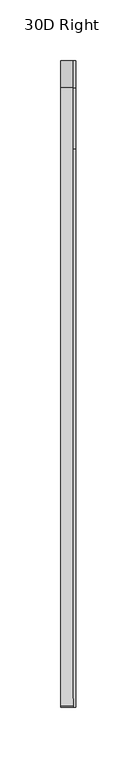
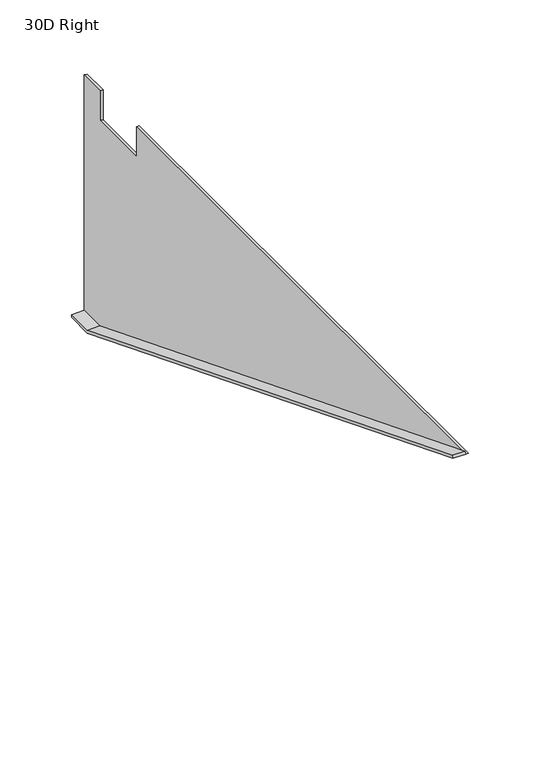
"""IFC4 building model written with IfcOpenShell, lengths in millimetres: furniture geometry, 30D Right."""

from ifc_helpers import new_model, si_unit, frame, origin, place, context, project, spatial, polyline, outline, extrude, source, transform, mapped, element, save


def furniture_30d_right_d35b987e(model_context):
    return source(origin(), model_context, "Body", "SweptSolid", [
        extrude(outline(polyline([(254.0, 505.5235), (254.0, 503.2375), (231.775, 503.2375), (-279.6807823, 706.4375), (-278.8367354, 708.5619719), (232.2124796, 505.5235), (254.0, 505.5235)])), frame((-12.7, 0.0, 0.0), z_axis=(1.0, 0.0, 0.0), x_axis=(0.0, 1.0, 0.0)), (0.0, 0.0, 1.0), 10.414),
        extrude(outline(polyline([(254.0, 706.4375), (254.0, 503.2375), (231.775, 503.2375), (-279.6807823, 706.4375), (180.975, 706.4375), (180.975, 681.0375), (231.775, 681.0375), (231.775, 706.4375), (254.0, 706.4375)])), frame((-2.286, 0.0, 0.0), z_axis=(1.0, 0.0, 0.0), x_axis=(0.0, 1.0, 0.0)), (0.0, 0.0, 1.0), 2.286),
    ])


if __name__ == "__main__":
    model = new_model("IFC4")
    model_context = context("Model", 3, world=origin())
    ifc_project = project(units=[si_unit("LENGTHUNIT", "METRE", prefix="MILLI")], contexts=[model_context])
    site = spatial("IfcSite", under=ifc_project)
    building = spatial("IfcBuilding", under=site)
    placement = place(None, origin())
    furniture_30d_right_shape = furniture_30d_right_d35b987e(model_context)
    element("IfcFurniture", 1, ObjectType="30D Right", at=placement, inside=building, context=model_context, shape_type="MappedRepresentation", body=[
        mapped(furniture_30d_right_shape, transform((0.0, 0.0, 0.0), x_axis=(1.0, 0.0, 0.0), y_axis=(0.0, 1.0, 0.0), z_axis=(0.0, 0.0, 1.0))),
    ])
    save(model, "model.ifc")
